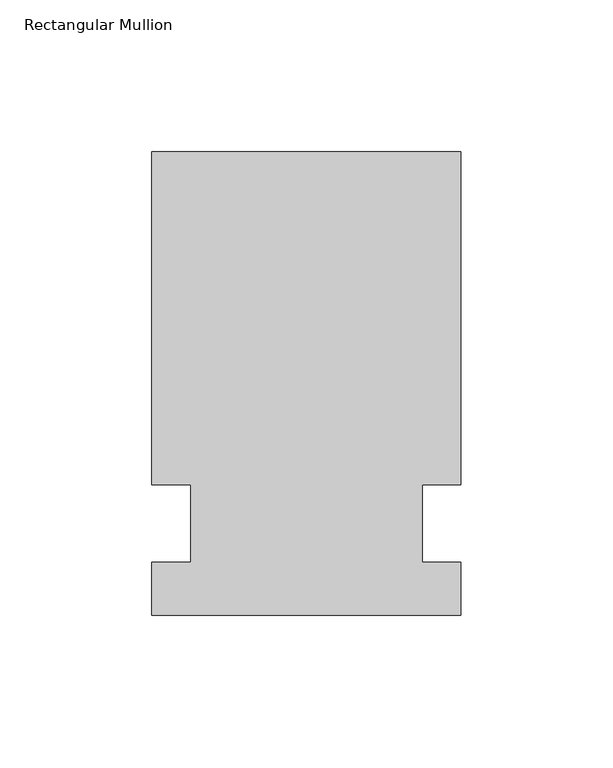
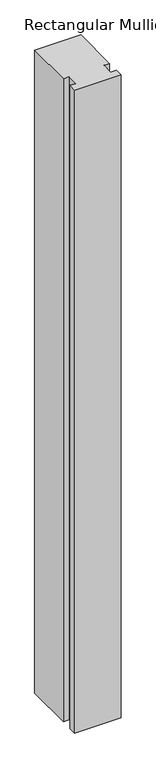
"""IFC4 building model written with IfcOpenShell, lengths in millimetres: member geometry, Rectangular Mullion."""

from ifc_helpers import new_model, si_unit, frame, origin, place, context, project, spatial, polyline, outline, extrude, source, transform, mapped, element, save


def rectangular_mullion_57b4528f(model_context):
    return source(origin(), model_context, "Body", "SweptSolid", [
        extrude(outline(polyline([(55.1344027, 122.2375), (55.1344027, 12.7), (42.4326322, 12.7), (42.4326322, -12.7), (55.1344027, -12.7), (55.1344027, -30.1625), (-46.4655973, -30.1625), (-46.4655973, -12.7), (-33.7655973, -12.7), (-33.7655973, 12.7), (-46.4655973, 12.7), (-46.4655973, 122.2375), (55.1344027, 122.2375)])), frame((0.0, 0.0, -1493.52), z_axis=(0.0, 0.0, 1.0), x_axis=(1.0, 0.0, 0.0)), (0.0, 0.0, 1.0), 1493.52),
    ])


if __name__ == "__main__":
    model = new_model("IFC4")
    model_context = context("Model", 3, world=origin())
    ifc_project = project(units=[si_unit("LENGTHUNIT", "METRE", prefix="MILLI")], contexts=[model_context])
    site = spatial("IfcSite", under=ifc_project)
    building = spatial("IfcBuilding", under=site)
    placement = place(None, origin())
    rectangular_mullion_shape = rectangular_mullion_57b4528f(model_context)
    element("IfcMember", 1, ObjectType="Rectangular Mullion", at=placement, inside=building, context=model_context, shape_type="MappedRepresentation", body=[
        mapped(rectangular_mullion_shape, transform((0.0, 0.0, 0.0), x_axis=(1.0, 0.0, 0.0), y_axis=(0.0, 1.0, 0.0), z_axis=(0.0, 0.0, 1.0))),
    ])
    save(model, "model.ifc")
